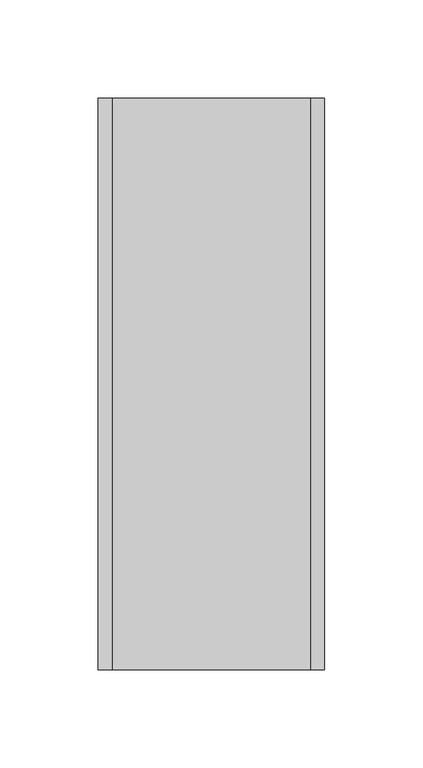
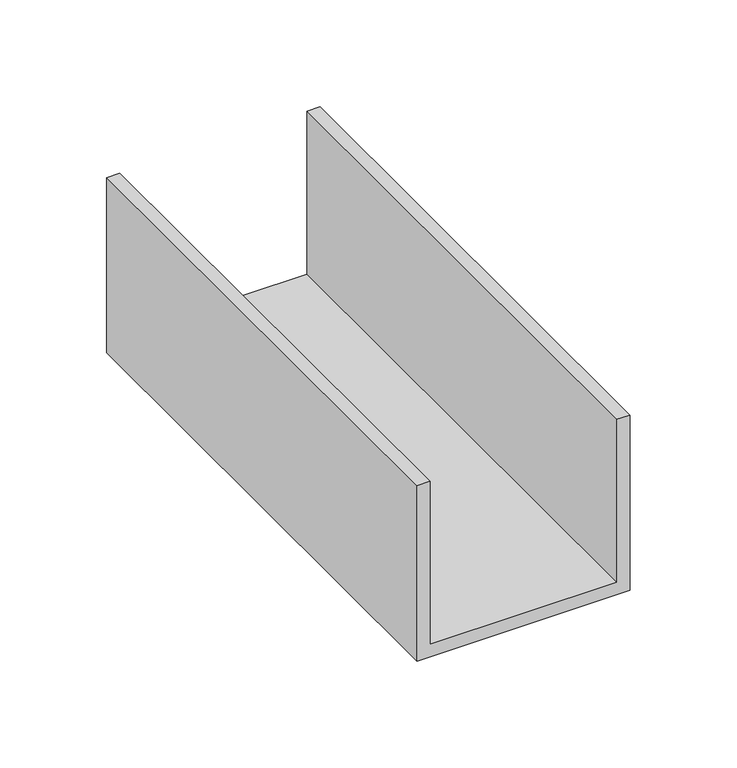
"""IFC4 building model written with IfcOpenShell, lengths in millimetres: proxy geometry."""

from ifc_helpers import new_model, si_unit, frame, origin, place, context, project, spatial, polyline, outline, extrude, source, transform, mapped, element, save


def generic_models_52ba2f9e(model_context):
    return source(origin(), model_context, "Body", "SweptSolid", [
        extrude(outline(polyline([(0.0, 115.0), (100.0, 115.0), (100.0, 108.0), (7.0, 108.0), (7.0, 7.0), (100.0, 7.0), (100.0, 0.0), (0.0, 0.0), (0.0, 115.0)])), frame((0.0, 0.0, 0.0), z_axis=(0.0, 1.0, 0.0), x_axis=(0.0, 0.0, 1.0)), (0.0, 0.0, 1.0), 290.0),
    ])


if __name__ == "__main__":
    model = new_model("IFC4")
    model_context = context("Model", 3, world=origin())
    ifc_project = project(units=[si_unit("LENGTHUNIT", "METRE", prefix="MILLI")], contexts=[model_context])
    site = spatial("IfcSite", under=ifc_project)
    building = spatial("IfcBuilding", under=site)
    placement = place(None, origin())
    generic_models_shape = generic_models_52ba2f9e(model_context)
    element("IfcBuildingElementProxy", 1, Name="Generic Models", at=placement, inside=building, context=model_context, shape_type="MappedRepresentation", body=[
        mapped(generic_models_shape, transform((0.0, 0.0, 0.0), x_axis=(1.0, 0.0, 0.0), y_axis=(0.0, 1.0, 0.0), z_axis=(0.0, 0.0, 1.0))),
    ])
    save(model, "model.ifc")
